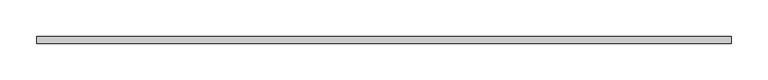
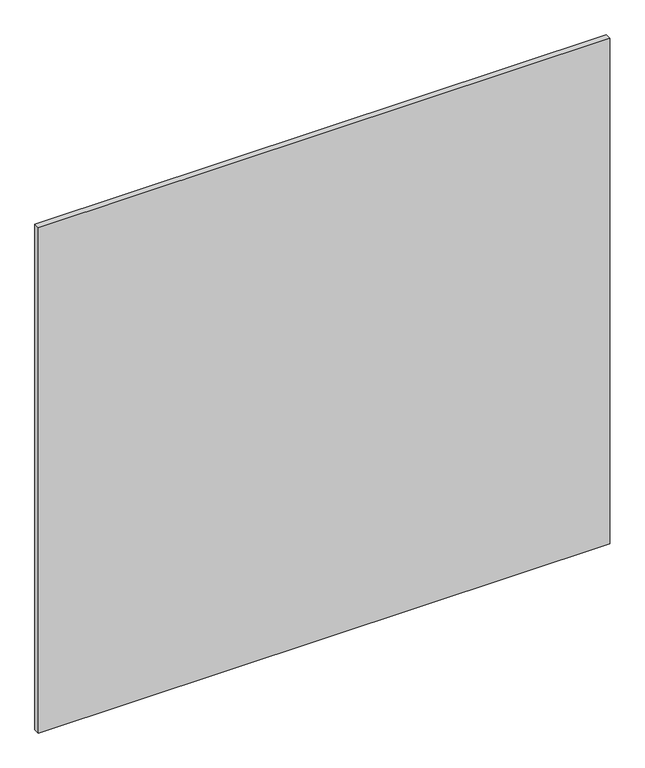
"""IFC4 building model written with IfcOpenShell, lengths in millimetres: plate geometry."""

from ifc_helpers import new_model, si_unit, origin, origin_with_axes, place, context, project, spatial, polyline, outline, extrude, source, transform, mapped, element, save


def plate_0f5035c3(model_context):
    return source(origin(), model_context, "Body", "SweptSolid", [
        extrude(outline(polyline([(475.7142858, -5.0), (-475.7142858, -5.0), (-475.7142858, 5.0), (475.7142858, 5.0), (475.7142858, -5.0)])), origin_with_axes(), (0.0, 0.0, 1.0), 890.0),
    ])


if __name__ == "__main__":
    model = new_model("IFC4")
    model_context = context("Model", 3, world=origin())
    ifc_project = project(units=[si_unit("LENGTHUNIT", "METRE", prefix="MILLI")], contexts=[model_context])
    site = spatial("IfcSite", under=ifc_project)
    building = spatial("IfcBuilding", under=site)
    placement = place(None, origin())
    plate_shape = plate_0f5035c3(model_context)
    element("IfcPlate", 1, at=placement, inside=building, context=model_context, shape_type="MappedRepresentation", body=[
        mapped(plate_shape, transform((0.0, 0.0, 0.0), x_axis=(1.0, 0.0, 0.0), y_axis=(0.0, 1.0, 0.0), z_axis=(0.0, 0.0, 1.0))),
    ])
    save(model, "model.ifc")
